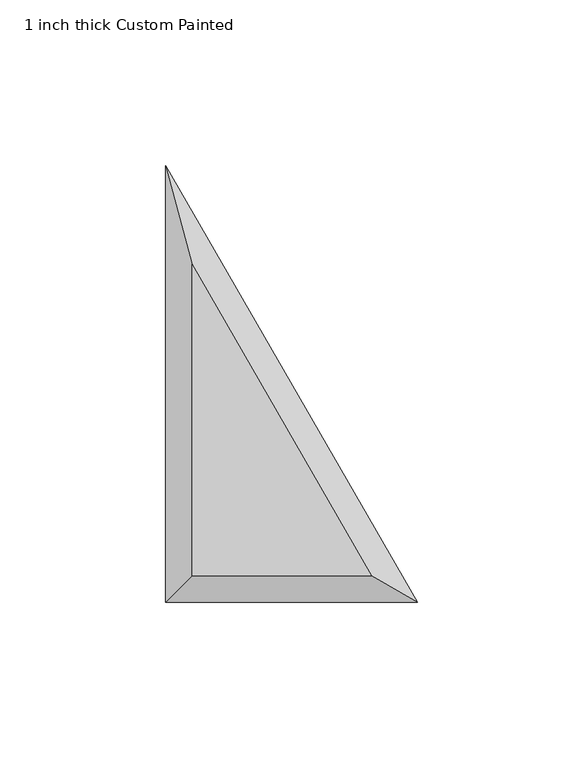
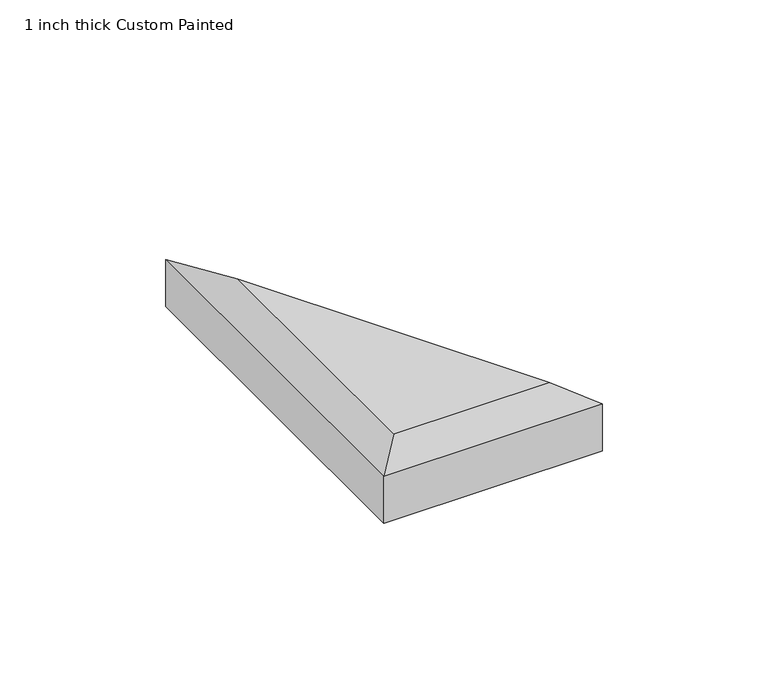
"""IFC4 building model written with IfcOpenShell, lengths in millimetres: proxy geometry, 1 inch thick Custom Painted."""

import ifcopenshell
import ifcopenshell.guid

model = None  # the IFC model being written
_history = None  # IfcOwnerHistory: only IFC2X3 demands one
_inside = {}  # id of a spatial element -> (the spatial element, [elements in it])
_under = {}  # id of a project, library or spatial element -> (it, [spatial elements below it])
_declared = {}  # id of a project -> (the project, [libraries it declares])
_typed = {}  # id of a type object -> (the type object, [elements of that type])
_made_of = {}  # id of a material, layer set ... -> (it, [elements and type objects made of it])


def new_model(schema):
    """Start an empty IFC model of exactly this schema.

    Asked for "IFC4X3", IfcOpenShell would pick the latest addendum, in which some entities
    have other attributes; the version numbers below select the first issue.
    IFC2X3 requires an IfcOwnerHistory on every rooted entity: one is made here for all.
    """
    global model, _history
    if schema == "IFC4X3":
        model = ifcopenshell.file(schema_version=(4, 3, 0, 0))
    else:
        model = ifcopenshell.file(schema=schema)
    _inside.clear()
    _under.clear()
    _declared.clear()
    _typed.clear()
    _made_of.clear()
    _history = None
    if model.schema == "IFC2X3":
        org = make("IfcOrganization", Name="unknown")
        user = make(
            "IfcPersonAndOrganization",
            ThePerson=make("IfcPerson", FamilyName="unknown"),
            TheOrganization=org,
        )
        app = make(
            "IfcApplication",
            ApplicationDeveloper=org,
            Version="unknown",
            ApplicationFullName="unknown",
            ApplicationIdentifier="unknown",
        )
        _history = make(
            "IfcOwnerHistory",
            OwningUser=user,
            OwningApplication=app,
            ChangeAction="ADDED",
            CreationDate=0,
        )
    return model


def make(cls, **values):
    """One entity of the class cls with the attributes given. An attribute that is None is left unset."""
    return model.create_entity(
        cls, **{name: value for name, value in values.items() if value is not None}
    )


def rooted(cls, **values):
    """An entity with a GlobalId (a new one), such as an element, a storey or a relation."""
    return make(cls, GlobalId=ifcopenshell.guid.new(), OwnerHistory=_history, **values)


def si_unit(unit_type, name, prefix=None):
    """IfcSIUnit, for example si_unit("LENGTHUNIT", "METRE", prefix="MILLI")."""
    return make("IfcSIUnit", UnitType=unit_type, Prefix=prefix, Name=name)


def assignment(units):
    """IfcUnitAssignment: the units of a project."""
    return None if units is None else make("IfcUnitAssignment", Units=units)


def point(xyz):
    """IfcCartesianPoint."""
    return None if xyz is None else make("IfcCartesianPoint", Coordinates=xyz)


def direction(xyz):
    """IfcDirection."""
    return None if xyz is None else make("IfcDirection", DirectionRatios=xyz)


def frame(location, z_axis=None, x_axis=None):
    """IfcAxis2Placement3D, a coordinate frame: its origin and axes. An axis left out is left unset."""
    return make(
        "IfcAxis2Placement3D",
        Location=point(location),
        Axis=direction(z_axis),
        RefDirection=direction(x_axis),
    )


def origin():
    """The frame at (0, 0, 0) with its axes left unset."""
    return frame((0.0, 0.0, 0.0))


def place(relative_to, where):
    """IfcLocalPlacement: puts the frame where relative to a parent placement (None: the world)."""
    return make(
        "IfcLocalPlacement", PlacementRelTo=relative_to, RelativePlacement=where
    )


def context(
    kind, dimensions, precision=None, world=None, true_north=None, identifier=None
):
    """IfcGeometricRepresentationContext, for example the 3D "Model" context."""
    return make(
        "IfcGeometricRepresentationContext",
        ContextIdentifier=identifier,
        ContextType=kind,
        CoordinateSpaceDimension=dimensions,
        Precision=precision,
        WorldCoordinateSystem=world,
        TrueNorth=true_north,
    )


def project(units=None, contexts=None):
    """IfcProject with its units and contexts."""
    return rooted(
        "IfcProject",
        Name="project",
        RepresentationContexts=contexts,
        UnitsInContext=assignment(units),
    )


def spatial(cls, under=None, at=None, **own):
    """A site, building, storey or space (cls), placed at a placement, below another one or the project."""
    s = rooted(cls, ObjectPlacement=at, **own)
    if under is not None:
        _under.setdefault(under.id(), (under, []))[1].append(s)
    return s


def faces_of(points, faces, orient=None, outer=None):
    """IfcFace entities. A face is a list of loops; a loop is a list of indices into points, from 0.

    orient and outer hold one flag for each loop. By default every Orientation is true, the
    first loop of a face is its IfcFaceOuterBound and the others are IfcFaceBound.
    """
    made = []
    for i, loops in enumerate(faces):
        bounds = []
        for j, loop in enumerate(loops):
            is_outer = j == 0 if outer is None else outer[i][j]
            bounds.append(
                make(
                    "IfcFaceOuterBound" if is_outer else "IfcFaceBound",
                    Bound=make("IfcPolyLoop", Polygon=[points[k] for k in loop]),
                    Orientation=True if orient is None else orient[i][j],
                )
            )
        made.append(make("IfcFace", Bounds=bounds))
    return made


def faceted_brep(points, faces, orient=None, outer=None, voids=None):
    """IfcFacetedBrep: a solid bounded by flat faces; with voids (closed shells), ...WithVoids."""
    shared = [point(p) for p in points]
    hull = make("IfcClosedShell", CfsFaces=faces_of(shared, faces, orient, outer))
    if voids is None:
        return make("IfcFacetedBrep", Outer=hull)
    return make(
        "IfcFacetedBrepWithVoids",
        Outer=hull,
        Voids=[
            make(cls, CfsFaces=faces_of(shared, fs, o, b)) for cls, fs, o, b in voids
        ],
    )


def shape(context_of_items, identifier, shape_type, items):
    """IfcShapeRepresentation: the items that make up one representation, for example the "Body"."""
    return make(
        "IfcShapeRepresentation",
        ContextOfItems=context_of_items,
        RepresentationIdentifier=identifier,
        RepresentationType=shape_type,
        Items=items,
    )


def source(mapping_origin, context_of_items, identifier, shape_type, items):
    """IfcRepresentationMap: a shape defined once, which mapped items show again and again."""
    return make(
        "IfcRepresentationMap",
        MappingOrigin=mapping_origin,
        MappedRepresentation=shape(context_of_items, identifier, shape_type, items),
    )


def transform(
    local_origin,
    x_axis=None,
    y_axis=None,
    z_axis=None,
    scale=None,
    scale2=None,
    scale3=None,
    uniform=True,
):
    """IfcCartesianTransformationOperator3D, or its non-uniform kind. x_axis, y_axis, z_axis: its Axis1, 2, 3."""
    if uniform:
        return make(
            "IfcCartesianTransformationOperator3D",
            Axis1=direction(x_axis),
            Axis2=direction(y_axis),
            LocalOrigin=point(local_origin),
            Scale=scale,
            Axis3=direction(z_axis),
        )
    return make(
        "IfcCartesianTransformationOperator3DnonUniform",
        Axis1=direction(x_axis),
        Axis2=direction(y_axis),
        LocalOrigin=point(local_origin),
        Scale=scale,
        Axis3=direction(z_axis),
        Scale2=scale2,
        Scale3=scale3,
    )


def mapped(mapping_source, mapping_target):
    """IfcMappedItem: shows the shape of a source again, moved by a transform."""
    return make(
        "IfcMappedItem", MappingSource=mapping_source, MappingTarget=mapping_target
    )


def made_of(thing, what):
    """Note that an element or type object is made of a material, layer set ...; save() writes the relation."""
    if what is not None:
        _made_of.setdefault(what.id(), (what, []))[1].append(thing)
    return thing


def element(
    cls,
    number,
    at=None,
    inside=None,
    cuts=None,
    type_object=None,
    material=None,
    context=None,
    identifier="Body",
    shape_type=None,
    held_by="IfcProductDefinitionShape",
    body=None,
    shapes=None,
    **own,
):
    """One element of the class cls, such as IfcWall. Its Tag is "e" and its number.

    at: its placement. inside: the storey or other place that contains it. cuts: it is an
    opening in that element (IfcRelVoidsElement). A single representation is given by context,
    identifier, shape_type and body (its items); several are given by shapes. held_by: the class
    of the entity that holds the representations. save() writes the other relations.
    """
    e = rooted(cls, Tag="e%d" % number, ObjectPlacement=at, **own)
    if body is not None:
        shapes = [shape(context, identifier, shape_type, body)]
    if shapes is not None:
        e.Representation = make(held_by, Representations=shapes)
    if inside is not None:
        _inside.setdefault(inside.id(), (inside, []))[1].append(e)
    if cuts is not None:
        rooted(
            "IfcRelVoidsElement", RelatingBuildingElement=cuts, RelatedOpeningElement=e
        )
    if type_object is not None:
        _typed.setdefault(type_object.id(), (type_object, []))[1].append(e)
    return made_of(e, material)


def aggregate(whole, parts):
    """IfcRelAggregates: a whole, such as a stair, and the parts it consists of."""
    return rooted("IfcRelAggregates", RelatingObject=whole, RelatedObjects=parts)


def save(model, path):
    """Write the relations noted so far, then the file.

    IfcRelAggregates (storeys below a building ...), IfcRelContainedInSpatialStructure (elements
    in a storey), IfcRelDefinesByType, IfcRelAssociatesMaterial and IfcRelDeclares: one each for
    every whole, place, type object, material and project.
    """
    for whole, parts in _under.values():
        aggregate(whole, parts)
    for where, things in _inside.values():
        rooted(
            "IfcRelContainedInSpatialStructure",
            RelatedElements=things,
            RelatingStructure=where,
        )
    for kind, things in _typed.values():
        rooted("IfcRelDefinesByType", RelatedObjects=things, RelatingType=kind)
    for what, things in _made_of.values():
        rooted("IfcRelAssociatesMaterial", RelatedObjects=things, RelatingMaterial=what)
    for by, libraries in _declared.values():
        rooted("IfcRelDeclares", RelatingContext=by, RelatedDefinitions=libraries)
    model.write(path)


def proxy_1_inch_thick_custom_painted_823727a2(model_context):
    return source(origin(), model_context, "Body", "Brep", [
        faceted_brep([(8.001, 102.122133, 25.4), (8.001, 8.001, 25.4), (62.3418615, 8.001, 25.4), (76.2, 0.0, 0.0), (0.0, 0.0, 0.0), (0.0, 131.9822715, 0.0), (76.2, 0.0, 17.399), (0.0, 0.0, 17.399), (0.0, 131.9822715, 17.399)], [[[0, 1, 2]], [[3, 4, 5]], [[4, 3, 6, 7]], [[3, 5, 8, 6]], [[5, 4, 7, 8]], [[7, 1, 0, 8]], [[1, 7, 6, 2]], [[8, 0, 2, 6]]]),
    ])


if __name__ == "__main__":
    model = new_model("IFC4")
    model_context = context("Model", 3, world=origin())
    ifc_project = project(units=[si_unit("LENGTHUNIT", "METRE", prefix="MILLI")], contexts=[model_context])
    site = spatial("IfcSite", under=ifc_project)
    building = spatial("IfcBuilding", under=site)
    placement = place(None, origin())
    proxy_1_inch_thick_custom_painted_shape = proxy_1_inch_thick_custom_painted_823727a2(model_context)
    element("IfcBuildingElementProxy", 1, Name="1 inch thick Custom Painted", ObjectType="1 inch thick Custom Painted", at=placement, inside=building, context=model_context, shape_type="MappedRepresentation", body=[
        mapped(proxy_1_inch_thick_custom_painted_shape, transform((0.0, 0.0, 0.0), x_axis=(1.0, 0.0, 0.0), y_axis=(0.0, 1.0, 0.0), z_axis=(0.0, 0.0, 1.0))),
    ])
    save(model, "model.ifc")
